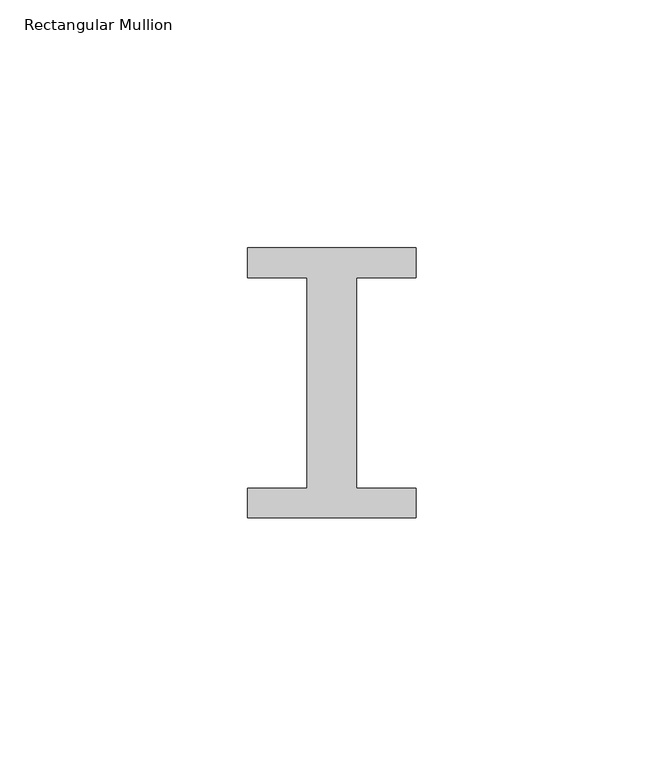
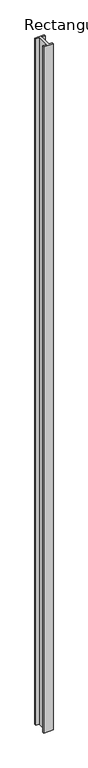
"""IFC4 building model written with IfcOpenShell, lengths in millimetres: member geometry, Rectangular Mullion."""

from ifc_helpers import new_model, si_unit, frame, origin, place, context, project, spatial, polyline, outline, extrude, source, transform, mapped, element, save


def rectangular_mullion_7fab5550(model_context):
    return source(origin(), model_context, "Body", "SweptSolid", [
        extrude(outline(polyline([(17.0, 27.25), (17.0, 21.25), (5.0, 21.25), (5.0, -21.25), (17.0, -21.25), (17.0, -27.25), (-17.0, -27.25), (-17.0, -21.25), (-5.0, -21.25), (-5.0, 21.25), (-17.0, 21.25), (-17.0, 27.25), (17.0, 27.25)])), frame((0.0, 0.0, -2616.0), z_axis=(0.0, 0.0, 1.0), x_axis=(1.0, 0.0, 0.0)), (0.0, 0.0, 1.0), 2616.0),
    ])


if __name__ == "__main__":
    model = new_model("IFC4")
    model_context = context("Model", 3, world=origin())
    ifc_project = project(units=[si_unit("LENGTHUNIT", "METRE", prefix="MILLI")], contexts=[model_context])
    site = spatial("IfcSite", under=ifc_project)
    building = spatial("IfcBuilding", under=site)
    placement = place(None, origin())
    rectangular_mullion_shape = rectangular_mullion_7fab5550(model_context)
    element("IfcMember", 1, ObjectType="Rectangular Mullion", at=placement, inside=building, context=model_context, shape_type="MappedRepresentation", body=[
        mapped(rectangular_mullion_shape, transform((0.0, 0.0, 0.0), x_axis=(1.0, 0.0, 0.0), y_axis=(0.0, 1.0, 0.0), z_axis=(0.0, 0.0, 1.0))),
    ])
    save(model, "model.ifc")
